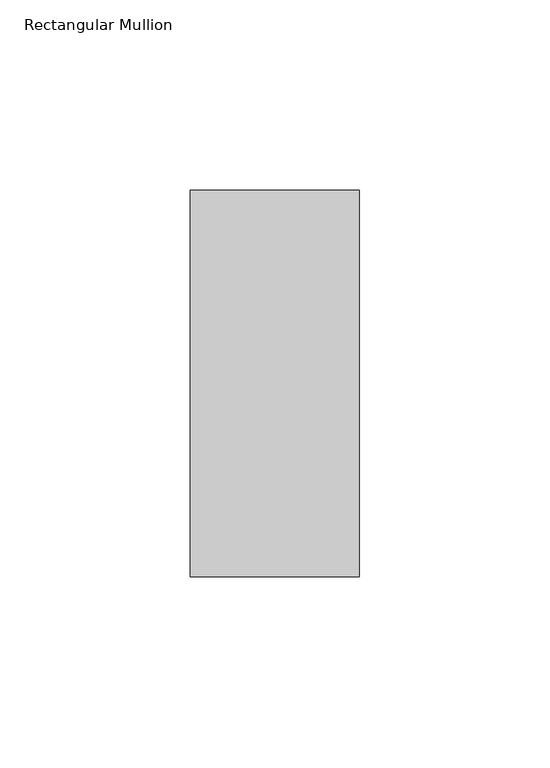
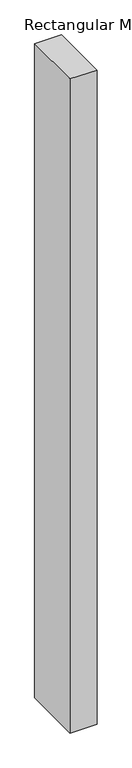
"""IFC4 building model written with IfcOpenShell, lengths in millimetres: member geometry, Rectangular Mullion."""

from ifc_helpers import new_model, si_unit, frame, origin, place, context, project, spatial, polyline, outline, extrude, source, transform, mapped, element, save


def rectangular_mullion_18c0bf67(model_context):
    return source(origin(), model_context, "Body", "SweptSolid", [
        extrude(outline(polyline([(-44.45, 50.8), (0.0, 50.8), (0.0, -50.8), (-44.45, -50.8), (-44.45, 50.8)])), frame((0.0, 0.0, -1145.1166667), z_axis=(0.0, 0.0, 1.0), x_axis=(1.0, 0.0, 0.0)), (0.0, 0.0, 1.0), 1145.1166667),
    ])


if __name__ == "__main__":
    model = new_model("IFC4")
    model_context = context("Model", 3, world=origin())
    ifc_project = project(units=[si_unit("LENGTHUNIT", "METRE", prefix="MILLI")], contexts=[model_context])
    site = spatial("IfcSite", under=ifc_project)
    building = spatial("IfcBuilding", under=site)
    placement = place(None, origin())
    rectangular_mullion_shape = rectangular_mullion_18c0bf67(model_context)
    element("IfcMember", 1, ObjectType="Rectangular Mullion", at=placement, inside=building, context=model_context, shape_type="MappedRepresentation", body=[
        mapped(rectangular_mullion_shape, transform((0.0, 0.0, 0.0), x_axis=(1.0, 0.0, 0.0), y_axis=(0.0, 1.0, 0.0), z_axis=(0.0, 0.0, 1.0))),
    ])
    save(model, "model.ifc")
